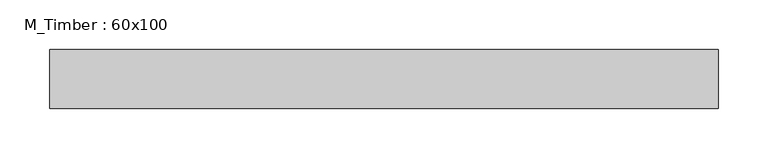
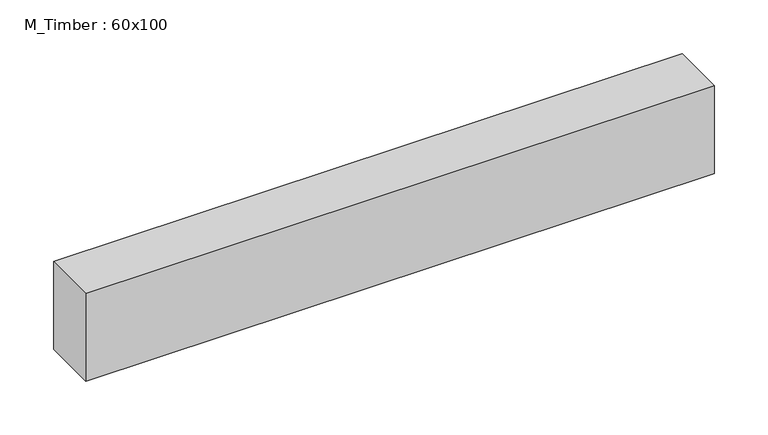
"""IFC4 building model written with IfcOpenShell, lengths in millimetres: beam geometry, M_Timber : 60x100."""

from ifc_helpers import new_model, si_unit, frame, origin, place, context, project, spatial, polyline, outline, extrude, source, transform, mapped, element, save


def m_timber_60x100_cdbbcfc5(model_context):
    return source(origin(), model_context, "Body", "SweptSolid", [
        extrude(outline(polyline([(431.0474453, 30.0), (431.0474453, -30.0), (-244.6549633, -30.0), (-244.6549633, 30.0), (431.0474453, 30.0)])), frame((0.0, 0.0, -50.0), z_axis=(0.0, 0.0, 1.0), x_axis=(1.0, 0.0, 0.0)), (0.0, 0.0, 1.0), 100.0),
    ])


if __name__ == "__main__":
    model = new_model("IFC4")
    model_context = context("Model", 3, world=origin())
    ifc_project = project(units=[si_unit("LENGTHUNIT", "METRE", prefix="MILLI")], contexts=[model_context])
    site = spatial("IfcSite", under=ifc_project)
    building = spatial("IfcBuilding", under=site)
    placement = place(None, origin())
    m_timber_60x100_shape = m_timber_60x100_cdbbcfc5(model_context)
    element("IfcBeam", 1, ObjectType="M_Timber : 60x100", at=placement, inside=building, context=model_context, shape_type="MappedRepresentation", body=[
        mapped(m_timber_60x100_shape, transform((0.0, 0.0, 0.0), x_axis=(1.0, 0.0, 0.0), y_axis=(0.0, 1.0, 0.0), z_axis=(0.0, 0.0, 1.0))),
    ])
    save(model, "model.ifc")
